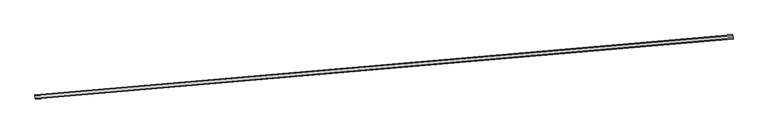
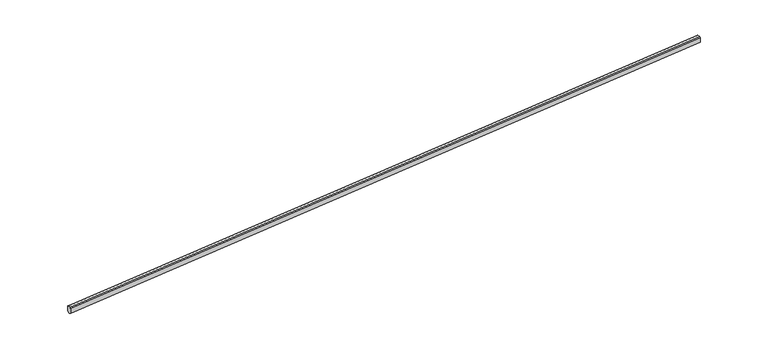
"""IFC4 building model written with IfcOpenShell, lengths in millimetres: railing geometry."""

import ifcopenshell
import ifcopenshell.guid

model = None  # the IFC model being written
_history = None  # IfcOwnerHistory: only IFC2X3 demands one
_inside = {}  # id of a spatial element -> (the spatial element, [elements in it])
_under = {}  # id of a project, library or spatial element -> (it, [spatial elements below it])
_declared = {}  # id of a project -> (the project, [libraries it declares])
_typed = {}  # id of a type object -> (the type object, [elements of that type])
_made_of = {}  # id of a material, layer set ... -> (it, [elements and type objects made of it])


def new_model(schema):
    """Start an empty IFC model of exactly this schema.

    Asked for "IFC4X3", IfcOpenShell would pick the latest addendum, in which some entities
    have other attributes; the version numbers below select the first issue.
    IFC2X3 requires an IfcOwnerHistory on every rooted entity: one is made here for all.
    """
    global model, _history
    if schema == "IFC4X3":
        model = ifcopenshell.file(schema_version=(4, 3, 0, 0))
    else:
        model = ifcopenshell.file(schema=schema)
    _inside.clear()
    _under.clear()
    _declared.clear()
    _typed.clear()
    _made_of.clear()
    _history = None
    if model.schema == "IFC2X3":
        org = make("IfcOrganization", Name="unknown")
        user = make(
            "IfcPersonAndOrganization",
            ThePerson=make("IfcPerson", FamilyName="unknown"),
            TheOrganization=org,
        )
        app = make(
            "IfcApplication",
            ApplicationDeveloper=org,
            Version="unknown",
            ApplicationFullName="unknown",
            ApplicationIdentifier="unknown",
        )
        _history = make(
            "IfcOwnerHistory",
            OwningUser=user,
            OwningApplication=app,
            ChangeAction="ADDED",
            CreationDate=0,
        )
    return model


def make(cls, **values):
    """One entity of the class cls with the attributes given. An attribute that is None is left unset."""
    return model.create_entity(
        cls, **{name: value for name, value in values.items() if value is not None}
    )


def rooted(cls, **values):
    """An entity with a GlobalId (a new one), such as an element, a storey or a relation."""
    return make(cls, GlobalId=ifcopenshell.guid.new(), OwnerHistory=_history, **values)


def si_unit(unit_type, name, prefix=None):
    """IfcSIUnit, for example si_unit("LENGTHUNIT", "METRE", prefix="MILLI")."""
    return make("IfcSIUnit", UnitType=unit_type, Prefix=prefix, Name=name)


def assignment(units):
    """IfcUnitAssignment: the units of a project."""
    return None if units is None else make("IfcUnitAssignment", Units=units)


def point(xyz):
    """IfcCartesianPoint."""
    return None if xyz is None else make("IfcCartesianPoint", Coordinates=xyz)


def direction(xyz):
    """IfcDirection."""
    return None if xyz is None else make("IfcDirection", DirectionRatios=xyz)


def frame(location, z_axis=None, x_axis=None):
    """IfcAxis2Placement3D, a coordinate frame: its origin and axes. An axis left out is left unset."""
    return make(
        "IfcAxis2Placement3D",
        Location=point(location),
        Axis=direction(z_axis),
        RefDirection=direction(x_axis),
    )


def origin():
    """The frame at (0, 0, 0) with its axes left unset."""
    return frame((0.0, 0.0, 0.0))


def place(relative_to, where):
    """IfcLocalPlacement: puts the frame where relative to a parent placement (None: the world)."""
    return make(
        "IfcLocalPlacement", PlacementRelTo=relative_to, RelativePlacement=where
    )


def context(
    kind, dimensions, precision=None, world=None, true_north=None, identifier=None
):
    """IfcGeometricRepresentationContext, for example the 3D "Model" context."""
    return make(
        "IfcGeometricRepresentationContext",
        ContextIdentifier=identifier,
        ContextType=kind,
        CoordinateSpaceDimension=dimensions,
        Precision=precision,
        WorldCoordinateSystem=world,
        TrueNorth=true_north,
    )


def project(units=None, contexts=None):
    """IfcProject with its units and contexts."""
    return rooted(
        "IfcProject",
        Name="project",
        RepresentationContexts=contexts,
        UnitsInContext=assignment(units),
    )


def spatial(cls, under=None, at=None, **own):
    """A site, building, storey or space (cls), placed at a placement, below another one or the project."""
    s = rooted(cls, ObjectPlacement=at, **own)
    if under is not None:
        _under.setdefault(under.id(), (under, []))[1].append(s)
    return s


def ellipse_curve(where, semi_axis1, semi_axis2):
    """IfcEllipse in the frame where."""
    return make(
        "IfcEllipse", Position=where, SemiAxis1=semi_axis1, SemiAxis2=semi_axis2
    )


def shape(context_of_items, identifier, shape_type, items):
    """IfcShapeRepresentation: the items that make up one representation, for example the "Body"."""
    return make(
        "IfcShapeRepresentation",
        ContextOfItems=context_of_items,
        RepresentationIdentifier=identifier,
        RepresentationType=shape_type,
        Items=items,
    )


def source(mapping_origin, context_of_items, identifier, shape_type, items):
    """IfcRepresentationMap: a shape defined once, which mapped items show again and again."""
    return make(
        "IfcRepresentationMap",
        MappingOrigin=mapping_origin,
        MappedRepresentation=shape(context_of_items, identifier, shape_type, items),
    )


def transform(
    local_origin,
    x_axis=None,
    y_axis=None,
    z_axis=None,
    scale=None,
    scale2=None,
    scale3=None,
    uniform=True,
):
    """IfcCartesianTransformationOperator3D, or its non-uniform kind. x_axis, y_axis, z_axis: its Axis1, 2, 3."""
    if uniform:
        return make(
            "IfcCartesianTransformationOperator3D",
            Axis1=direction(x_axis),
            Axis2=direction(y_axis),
            LocalOrigin=point(local_origin),
            Scale=scale,
            Axis3=direction(z_axis),
        )
    return make(
        "IfcCartesianTransformationOperator3DnonUniform",
        Axis1=direction(x_axis),
        Axis2=direction(y_axis),
        LocalOrigin=point(local_origin),
        Scale=scale,
        Axis3=direction(z_axis),
        Scale2=scale2,
        Scale3=scale3,
    )


def mapped(mapping_source, mapping_target):
    """IfcMappedItem: shows the shape of a source again, moved by a transform."""
    return make(
        "IfcMappedItem", MappingSource=mapping_source, MappingTarget=mapping_target
    )


def made_of(thing, what):
    """Note that an element or type object is made of a material, layer set ...; save() writes the relation."""
    if what is not None:
        _made_of.setdefault(what.id(), (what, []))[1].append(thing)
    return thing


def element(
    cls,
    number,
    at=None,
    inside=None,
    cuts=None,
    type_object=None,
    material=None,
    context=None,
    identifier="Body",
    shape_type=None,
    held_by="IfcProductDefinitionShape",
    body=None,
    shapes=None,
    **own,
):
    """One element of the class cls, such as IfcWall. Its Tag is "e" and its number.

    at: its placement. inside: the storey or other place that contains it. cuts: it is an
    opening in that element (IfcRelVoidsElement). A single representation is given by context,
    identifier, shape_type and body (its items); several are given by shapes. held_by: the class
    of the entity that holds the representations. save() writes the other relations.
    """
    e = rooted(cls, Tag="e%d" % number, ObjectPlacement=at, **own)
    if body is not None:
        shapes = [shape(context, identifier, shape_type, body)]
    if shapes is not None:
        e.Representation = make(held_by, Representations=shapes)
    if inside is not None:
        _inside.setdefault(inside.id(), (inside, []))[1].append(e)
    if cuts is not None:
        rooted(
            "IfcRelVoidsElement", RelatingBuildingElement=cuts, RelatedOpeningElement=e
        )
    if type_object is not None:
        _typed.setdefault(type_object.id(), (type_object, []))[1].append(e)
    return made_of(e, material)


def aggregate(whole, parts):
    """IfcRelAggregates: a whole, such as a stair, and the parts it consists of."""
    return rooted("IfcRelAggregates", RelatingObject=whole, RelatedObjects=parts)


def save(model, path):
    """Write the relations noted so far, then the file.

    IfcRelAggregates (storeys below a building ...), IfcRelContainedInSpatialStructure (elements
    in a storey), IfcRelDefinesByType, IfcRelAssociatesMaterial and IfcRelDeclares: one each for
    every whole, place, type object, material and project.
    """
    for whole, parts in _under.values():
        aggregate(whole, parts)
    for where, things in _inside.values():
        rooted(
            "IfcRelContainedInSpatialStructure",
            RelatedElements=things,
            RelatingStructure=where,
        )
    for kind, things in _typed.values():
        rooted("IfcRelDefinesByType", RelatedObjects=things, RelatingType=kind)
    for what, things in _made_of.values():
        rooted("IfcRelAssociatesMaterial", RelatedObjects=things, RelatingMaterial=what)
    for by, libraries in _declared.values():
        rooted("IfcRelDeclares", RelatingContext=by, RelatedDefinitions=libraries)
    model.write(path)


def plane_surface(at):
    """IfcPlane: the flat surface through the origin of the frame at, square to its z axis."""
    return make("IfcPlane", Position=at)


def cylinder_surface(at, radius):
    """IfcCylindricalSurface: all points at the distance radius from the z axis of the frame at."""
    return make("IfcCylindricalSurface", Position=at, Radius=radius)


def advanced_brep(points, edges, surfaces, faces):
    """IfcAdvancedBrep: a solid bounded by faces that lie on surfaces and meet in shared edges.

    An edge is (start, end): straight between two places in points (the first is 0);
    or (start, end, curve); or (start, end, curve, False) where it runs against its curve.
    A face is (place in surfaces, loops), or (place, loops, False) where it looks against
    its surface's normal. A loop lists edges by number (the first is 1), with a minus sign
    where the edge is run from its end to its start. The first loop is the outer one.
    """
    corners = [point(p) for p in points]
    vertices = [make("IfcVertexPoint", VertexGeometry=c) for c in corners]
    made = []
    for start, end, *more in edges:
        made.append(
            make(
                "IfcEdgeCurve",
                EdgeStart=vertices[start],
                EdgeEnd=vertices[end],
                EdgeGeometry=more[0] if more else make("IfcPolyline", Points=[corners[start], corners[end]]),
                SameSense=more[1] if len(more) > 1 else True,
            )
        )
    hull = []
    for where, loops, *sense in faces:
        bounds = []
        for j, loop in enumerate(loops):
            ring = [make("IfcOrientedEdge", EdgeElement=made[abs(k) - 1], Orientation=k > 0) for k in loop]
            bounds.append(
                make(
                    "IfcFaceOuterBound" if j == 0 else "IfcFaceBound",
                    Bound=make("IfcEdgeLoop", EdgeList=ring),
                    Orientation=True,
                )
            )
        hull.append(make("IfcAdvancedFace", Bounds=bounds, FaceSurface=surfaces[where], SameSense=sense[0] if sense else True))
    return make("IfcAdvancedBrep", Outer=make("IfcClosedShell", CfsFaces=hull))


def railing_a2515636(model_context):
    return source(origin(), model_context, "Body", "AdvancedBrep", [
        advanced_brep(
        [(77303.3764068, 7853.3344118, 14686.2672206), (77329.1789396, 7554.4460893, 14686.2672206), (77335.6295728, 7479.7240087, 14611.2336765), (77335.6295728, 7479.7240087, 14035.9765052), (77320.1480531, 7659.0570022, 13935.9317798), (77312.4072932, 7748.7234989, 13935.9317798), (77296.9257736, 7928.0564924, 14035.9765052), (77296.9257736, 7928.0564924, 14611.2336765), (1152.6854489, 1279.3716538, 12399.9999999), (1146.2348157, 1354.0937344, 12324.9664559), (1146.2348157, 1354.0937344, 11749.7092846), (1161.7163353, 1174.760741, 11649.6645592), (1169.4570952, 1085.0942442, 11649.6645592), (1184.9386149, 905.7612508, 11749.7092846), (1184.9386149, 905.7612508, 12324.9664559), (1178.4879817, 980.4833314, 12399.9999999)],
        [
            (0, 1),
            (1, 2, ellipse_curve(frame((77329.1789396, 7554.4460893, 14611.2336765), z_axis=(0.996294408191796, 0.08600844264233003, 0.0), x_axis=(0.0, 0.0, 1.0)), 75.0335441, 75.0)),
            (2, 3),
            (3, 4),
            (4, 5),
            (5, 6),
            (6, 7),
            (7, 0, ellipse_curve(frame((77303.3764068, 7853.3344118, 14611.2336765), z_axis=(0.996294408191796, 0.08600844264233003, 0.0), x_axis=(0.0, 0.0, 1.0)), 75.0335441, 75.0)),
            (8, 9, ellipse_curve(frame((1152.6854489, 1279.3716538, 12324.9664559), z_axis=(-0.996294408191796, -0.08600844264233003, 0.0), x_axis=(0.0, 0.0, 1.0)), 75.0335441, 75.0)),
            (9, 10),
            (10, 11),
            (11, 12),
            (12, 13),
            (13, 14),
            (14, 15, ellipse_curve(frame((1178.4879817, 980.4833314, 12324.9664559), z_axis=(-0.996294408191796, -0.08600844264233003, 0.0), x_axis=(0.0, 0.0, 1.0)), 75.0335441, 75.0)),
            (15, 8),
            (0, 8),
            (15, 1),
            (14, 2),
            (13, 3),
            (12, 4),
            (11, 5),
            (10, 6),
            (9, 7),
        ],
        [
            plane_surface(frame((77315.6113426, 7711.6088118, 14686.2672206), z_axis=(0.996294408191796, 0.08600844264233003, 0.0), x_axis=(0.08600844264233003, -0.996294408191796, 0.0))),
            plane_surface(frame((1164.9203847, 1137.6460538, 12399.9999999), z_axis=(-0.996294408191796, -0.08600844264233003, 0.0), x_axis=(0.08600844264233003, -0.996294408191796, 0.0))),
            plane_surface(frame((77303.3764068, 7853.3344118, 14686.2672206), z_axis=(-0.029787518860480016, -0.0025715070628758497, 0.9995529456069661), x_axis=(-0.9958490103998586, -0.08596999219020873, -0.029898309792325602))),
            cylinder_surface(frame((77331.4130035, 7554.6389524, 14611.3007496), z_axis=(0.9958490103998587, 0.08596999219020875, 0.029898309792325606), x_axis=(-0.08600844264233001, 0.996294408191796, 0.0)), 75.0),
            plane_surface(frame((77335.6295728, 7479.7240087, 14611.2336765), z_axis=(0.08600844264233001, -0.9962944081917963, 0.0), x_axis=(-0.9958490103998586, -0.08596999219020873, -0.029898309792325602))),
            plane_surface(frame((77335.6295728, 7479.7240087, 14035.9765052), z_axis=(0.06780836854042498, -0.48159543510151115, -0.8737664802710574), x_axis=(-0.9958490103998586, -0.08596999219020873, -0.029898309792325602))),
            plane_surface(frame((77320.1480531, 7659.0570022, 13935.9317798), z_axis=(0.029787518860480016, 0.0025715070628758497, -0.9995529456069661), x_axis=(-0.9958490103998586, -0.08596999219020873, -0.029898309792325602))),
            plane_surface(frame((77312.4072932, 7748.7234989, 13935.9317798), z_axis=(-0.01573041584143151, 0.48609123832072865, -0.8737664802710599), x_axis=(-0.9958490103998586, -0.08596999219020873, -0.029898309792325602))),
            plane_surface(frame((77296.9257736, 7928.0564924, 14035.9765052), z_axis=(-0.08600844264233001, 0.9962944081917963, 0.0), x_axis=(-0.9958490103998586, -0.08596999219020873, -0.029898309792325602))),
            cylinder_surface(frame((77305.6104707, 7853.5272748, 14611.3007496), z_axis=(0.9958490103998587, 0.08596999219020875, 0.029898309792325606), x_axis=(-0.08600844264233001, 0.996294408191796, 0.0)), 75.0),
        ],
        [
            (0, [[1, 2, 3, 4, 5, 6, 7, 8]]),
            (1, [[9, 10, 11, 12, 13, 14, 15, 16]]),
            (2, [[-1, 17, -16, 18]]),
            (3, [[-2, -18, -15, 19]]),
            (4, [[-3, -19, -14, 20]]),
            (5, [[-4, -20, -13, 21]]),
            (6, [[-5, -21, -12, 22]]),
            (7, [[-6, -22, -11, 23]]),
            (8, [[-7, -23, -10, 24]]),
            (9, [[-8, -24, -9, -17]]),
        ],
    ),
    ])


if __name__ == "__main__":
    model = new_model("IFC4")
    model_context = context("Model", 3, world=origin())
    ifc_project = project(units=[si_unit("LENGTHUNIT", "METRE", prefix="MILLI")], contexts=[model_context])
    site = spatial("IfcSite", under=ifc_project)
    building = spatial("IfcBuilding", under=site)
    placement = place(None, origin())
    railing_shape = railing_a2515636(model_context)
    element("IfcRailing", 1, at=placement, inside=building, context=model_context, shape_type="MappedRepresentation", body=[
        mapped(railing_shape, transform((0.0, 0.0, 0.0), x_axis=(1.0, 0.0, 0.0), y_axis=(0.0, 1.0, 0.0), z_axis=(0.0, 0.0, 1.0))),
    ])
    save(model, "model.ifc")
